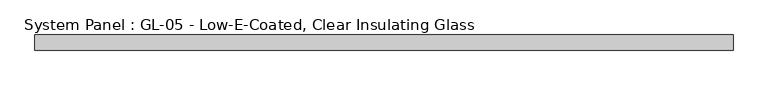
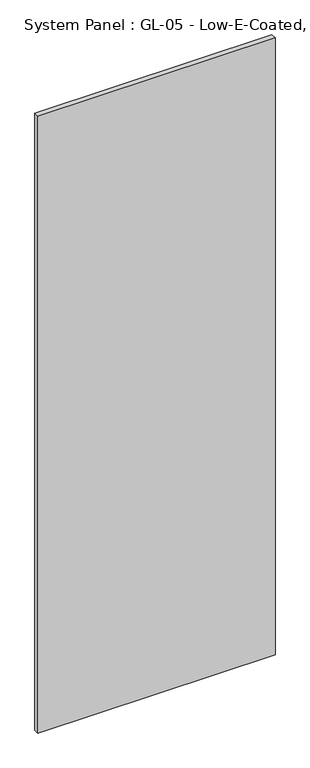
"""IFC4 building model written with IfcOpenShell, lengths in millimetres: plate geometry, System Panel : GL-05 - Low-E-Coated, Clear Insulating Glass."""

from ifc_helpers import new_model, si_unit, origin, origin_with_axes, place, context, project, spatial, polyline, outline, extrude, source, transform, mapped, element, save


def system_panel_gl_05_low_e_coated_clear_insulating_glass_b15c6ba8(model_context):
    return source(origin(), model_context, "Body", "SweptSolid", [
        extrude(outline(polyline([(571.5, -12.7), (-571.5, -12.7), (-571.5, 12.7), (571.5, 12.7), (571.5, -12.7)])), origin_with_axes(), (0.0, 0.0, 1.0), 3143.25),
    ])


if __name__ == "__main__":
    model = new_model("IFC4")
    model_context = context("Model", 3, world=origin())
    ifc_project = project(units=[si_unit("LENGTHUNIT", "METRE", prefix="MILLI")], contexts=[model_context])
    site = spatial("IfcSite", under=ifc_project)
    building = spatial("IfcBuilding", under=site)
    placement = place(None, origin())
    system_panel_gl_05_low_e_coated_clear_insulating_glass_shape = system_panel_gl_05_low_e_coated_clear_insulating_glass_b15c6ba8(model_context)
    element("IfcPlate", 1, ObjectType="System Panel : GL-05 - Low-E-Coated, Clear Insulating Glass", at=placement, inside=building, context=model_context, shape_type="MappedRepresentation", body=[
        mapped(system_panel_gl_05_low_e_coated_clear_insulating_glass_shape, transform((0.0, 0.0, 0.0), x_axis=(1.0, 0.0, 0.0), y_axis=(0.0, 1.0, 0.0), z_axis=(0.0, 0.0, 1.0))),
    ])
    save(model, "model.ifc")
